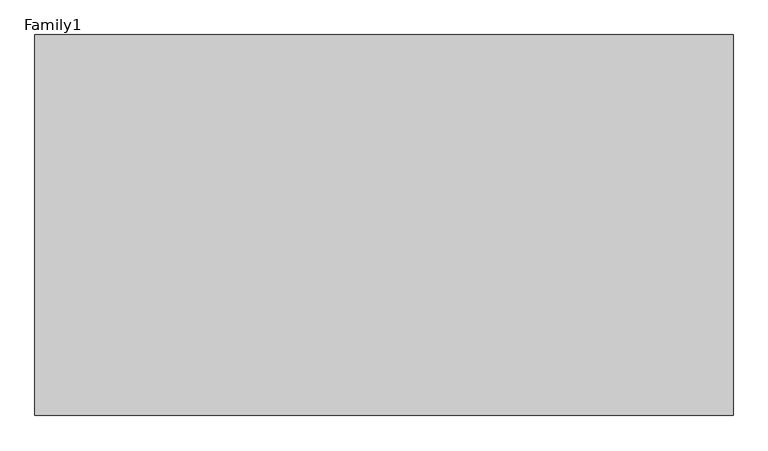
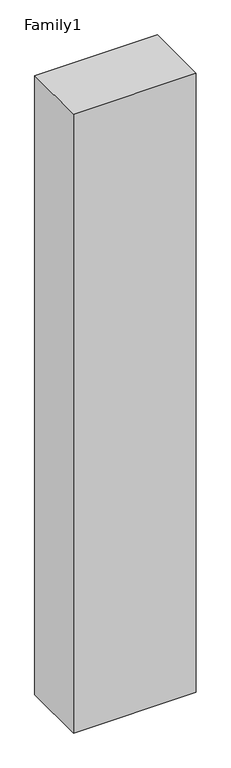
"""IFC4 building model written with IfcOpenShell, lengths in millimetres: proxy geometry, Family1."""

import ifcopenshell
import ifcopenshell.guid

model = None  # the IFC model being written
_history = None  # IfcOwnerHistory: only IFC2X3 demands one
_inside = {}  # id of a spatial element -> (the spatial element, [elements in it])
_under = {}  # id of a project, library or spatial element -> (it, [spatial elements below it])
_declared = {}  # id of a project -> (the project, [libraries it declares])
_typed = {}  # id of a type object -> (the type object, [elements of that type])
_made_of = {}  # id of a material, layer set ... -> (it, [elements and type objects made of it])


def new_model(schema):
    """Start an empty IFC model of exactly this schema.

    Asked for "IFC4X3", IfcOpenShell would pick the latest addendum, in which some entities
    have other attributes; the version numbers below select the first issue.
    IFC2X3 requires an IfcOwnerHistory on every rooted entity: one is made here for all.
    """
    global model, _history
    if schema == "IFC4X3":
        model = ifcopenshell.file(schema_version=(4, 3, 0, 0))
    else:
        model = ifcopenshell.file(schema=schema)
    _inside.clear()
    _under.clear()
    _declared.clear()
    _typed.clear()
    _made_of.clear()
    _history = None
    if model.schema == "IFC2X3":
        org = make("IfcOrganization", Name="unknown")
        user = make(
            "IfcPersonAndOrganization",
            ThePerson=make("IfcPerson", FamilyName="unknown"),
            TheOrganization=org,
        )
        app = make(
            "IfcApplication",
            ApplicationDeveloper=org,
            Version="unknown",
            ApplicationFullName="unknown",
            ApplicationIdentifier="unknown",
        )
        _history = make(
            "IfcOwnerHistory",
            OwningUser=user,
            OwningApplication=app,
            ChangeAction="ADDED",
            CreationDate=0,
        )
    return model


def make(cls, **values):
    """One entity of the class cls with the attributes given. An attribute that is None is left unset."""
    return model.create_entity(
        cls, **{name: value for name, value in values.items() if value is not None}
    )


def rooted(cls, **values):
    """An entity with a GlobalId (a new one), such as an element, a storey or a relation."""
    return make(cls, GlobalId=ifcopenshell.guid.new(), OwnerHistory=_history, **values)


def si_unit(unit_type, name, prefix=None):
    """IfcSIUnit, for example si_unit("LENGTHUNIT", "METRE", prefix="MILLI")."""
    return make("IfcSIUnit", UnitType=unit_type, Prefix=prefix, Name=name)


def assignment(units):
    """IfcUnitAssignment: the units of a project."""
    return None if units is None else make("IfcUnitAssignment", Units=units)


def point(xyz):
    """IfcCartesianPoint."""
    return None if xyz is None else make("IfcCartesianPoint", Coordinates=xyz)


def direction(xyz):
    """IfcDirection."""
    return None if xyz is None else make("IfcDirection", DirectionRatios=xyz)


def frame(location, z_axis=None, x_axis=None):
    """IfcAxis2Placement3D, a coordinate frame: its origin and axes. An axis left out is left unset."""
    return make(
        "IfcAxis2Placement3D",
        Location=point(location),
        Axis=direction(z_axis),
        RefDirection=direction(x_axis),
    )


def origin():
    """The frame at (0, 0, 0) with its axes left unset."""
    return frame((0.0, 0.0, 0.0))


def origin_with_axes():
    """The frame at (0, 0, 0) with the z axis (0, 0, 1) and the x axis (1, 0, 0) written out."""
    return frame((0.0, 0.0, 0.0), z_axis=(0.0, 0.0, 1.0), x_axis=(1.0, 0.0, 0.0))


def place(relative_to, where):
    """IfcLocalPlacement: puts the frame where relative to a parent placement (None: the world)."""
    return make(
        "IfcLocalPlacement", PlacementRelTo=relative_to, RelativePlacement=where
    )


def context(
    kind, dimensions, precision=None, world=None, true_north=None, identifier=None
):
    """IfcGeometricRepresentationContext, for example the 3D "Model" context."""
    return make(
        "IfcGeometricRepresentationContext",
        ContextIdentifier=identifier,
        ContextType=kind,
        CoordinateSpaceDimension=dimensions,
        Precision=precision,
        WorldCoordinateSystem=world,
        TrueNorth=true_north,
    )


def project(units=None, contexts=None):
    """IfcProject with its units and contexts."""
    return rooted(
        "IfcProject",
        Name="project",
        RepresentationContexts=contexts,
        UnitsInContext=assignment(units),
    )


def spatial(cls, under=None, at=None, **own):
    """A site, building, storey or space (cls), placed at a placement, below another one or the project."""
    s = rooted(cls, ObjectPlacement=at, **own)
    if under is not None:
        _under.setdefault(under.id(), (under, []))[1].append(s)
    return s


def polyline(points):
    """IfcPolyline through the points."""
    return make("IfcPolyline", Points=[point(p) for p in points])


def outline(outer, holes=None, kind="AREA"):
    """IfcArbitraryClosedProfileDef: a profile drawn as a closed curve; with holes, ...WithVoids."""
    if holes is None:
        return make("IfcArbitraryClosedProfileDef", ProfileType=kind, OuterCurve=outer)
    return make(
        "IfcArbitraryProfileDefWithVoids",
        ProfileType=kind,
        OuterCurve=outer,
        InnerCurves=holes,
    )


def extrude(swept, where, along, depth):
    """IfcExtrudedAreaSolid: the profile swept, set in the frame where, extruded along a direction by depth."""
    return make(
        "IfcExtrudedAreaSolid",
        SweptArea=swept,
        Position=where,
        ExtrudedDirection=direction(along),
        Depth=depth,
    )


def shape(context_of_items, identifier, shape_type, items):
    """IfcShapeRepresentation: the items that make up one representation, for example the "Body"."""
    return make(
        "IfcShapeRepresentation",
        ContextOfItems=context_of_items,
        RepresentationIdentifier=identifier,
        RepresentationType=shape_type,
        Items=items,
    )


def source(mapping_origin, context_of_items, identifier, shape_type, items):
    """IfcRepresentationMap: a shape defined once, which mapped items show again and again."""
    return make(
        "IfcRepresentationMap",
        MappingOrigin=mapping_origin,
        MappedRepresentation=shape(context_of_items, identifier, shape_type, items),
    )


def transform(
    local_origin,
    x_axis=None,
    y_axis=None,
    z_axis=None,
    scale=None,
    scale2=None,
    scale3=None,
    uniform=True,
):
    """IfcCartesianTransformationOperator3D, or its non-uniform kind. x_axis, y_axis, z_axis: its Axis1, 2, 3."""
    if uniform:
        return make(
            "IfcCartesianTransformationOperator3D",
            Axis1=direction(x_axis),
            Axis2=direction(y_axis),
            LocalOrigin=point(local_origin),
            Scale=scale,
            Axis3=direction(z_axis),
        )
    return make(
        "IfcCartesianTransformationOperator3DnonUniform",
        Axis1=direction(x_axis),
        Axis2=direction(y_axis),
        LocalOrigin=point(local_origin),
        Scale=scale,
        Axis3=direction(z_axis),
        Scale2=scale2,
        Scale3=scale3,
    )


def mapped(mapping_source, mapping_target):
    """IfcMappedItem: shows the shape of a source again, moved by a transform."""
    return make(
        "IfcMappedItem", MappingSource=mapping_source, MappingTarget=mapping_target
    )


def made_of(thing, what):
    """Note that an element or type object is made of a material, layer set ...; save() writes the relation."""
    if what is not None:
        _made_of.setdefault(what.id(), (what, []))[1].append(thing)
    return thing


def element(
    cls,
    number,
    at=None,
    inside=None,
    cuts=None,
    type_object=None,
    material=None,
    context=None,
    identifier="Body",
    shape_type=None,
    held_by="IfcProductDefinitionShape",
    body=None,
    shapes=None,
    **own,
):
    """One element of the class cls, such as IfcWall. Its Tag is "e" and its number.

    at: its placement. inside: the storey or other place that contains it. cuts: it is an
    opening in that element (IfcRelVoidsElement). A single representation is given by context,
    identifier, shape_type and body (its items); several are given by shapes. held_by: the class
    of the entity that holds the representations. save() writes the other relations.
    """
    e = rooted(cls, Tag="e%d" % number, ObjectPlacement=at, **own)
    if body is not None:
        shapes = [shape(context, identifier, shape_type, body)]
    if shapes is not None:
        e.Representation = make(held_by, Representations=shapes)
    if inside is not None:
        _inside.setdefault(inside.id(), (inside, []))[1].append(e)
    if cuts is not None:
        rooted(
            "IfcRelVoidsElement", RelatingBuildingElement=cuts, RelatedOpeningElement=e
        )
    if type_object is not None:
        _typed.setdefault(type_object.id(), (type_object, []))[1].append(e)
    return made_of(e, material)


def aggregate(whole, parts):
    """IfcRelAggregates: a whole, such as a stair, and the parts it consists of."""
    return rooted("IfcRelAggregates", RelatingObject=whole, RelatedObjects=parts)


def save(model, path):
    """Write the relations noted so far, then the file.

    IfcRelAggregates (storeys below a building ...), IfcRelContainedInSpatialStructure (elements
    in a storey), IfcRelDefinesByType, IfcRelAssociatesMaterial and IfcRelDeclares: one each for
    every whole, place, type object, material and project.
    """
    for whole, parts in _under.values():
        aggregate(whole, parts)
    for where, things in _inside.values():
        rooted(
            "IfcRelContainedInSpatialStructure",
            RelatedElements=things,
            RelatingStructure=where,
        )
    for kind, things in _typed.values():
        rooted("IfcRelDefinesByType", RelatedObjects=things, RelatingType=kind)
    for what, things in _made_of.values():
        rooted("IfcRelAssociatesMaterial", RelatedObjects=things, RelatingMaterial=what)
    for by, libraries in _declared.values():
        rooted("IfcRelDeclares", RelatingContext=by, RelatedDefinitions=libraries)
    model.write(path)


def family1_4a66f62a(model_context):
    return source(origin(), model_context, "Body", "SweptSolid", [
        extrude(outline(polyline([(5500.0, 0.0), (0.0, 0.0), (0.0, 3000.0), (5500.0, 3000.0), (5500.0, 0.0)])), origin_with_axes(), (0.0, 0.0, 1.0), 29300.0),
    ])


if __name__ == "__main__":
    model = new_model("IFC4")
    model_context = context("Model", 3, world=origin())
    ifc_project = project(units=[si_unit("LENGTHUNIT", "METRE", prefix="MILLI")], contexts=[model_context])
    site = spatial("IfcSite", under=ifc_project)
    building = spatial("IfcBuilding", under=site)
    placement = place(None, origin())
    family1_shape = family1_4a66f62a(model_context)
    element("IfcBuildingElementProxy", 1, Name="Family1", ObjectType="Family1", at=placement, inside=building, context=model_context, shape_type="MappedRepresentation", body=[
        mapped(family1_shape, transform((0.0, 0.0, 0.0), x_axis=(1.0, 0.0, 0.0), y_axis=(0.0, 1.0, 0.0), z_axis=(0.0, 0.0, 1.0))),
    ])
    save(model, "model.ifc")
